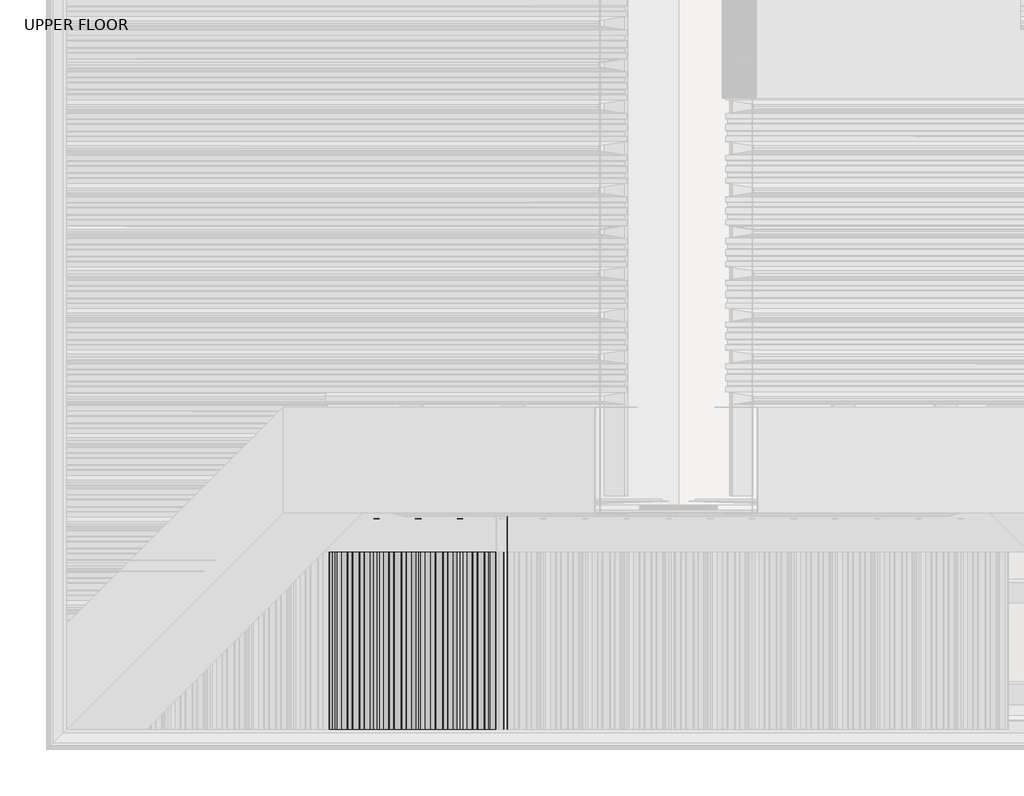
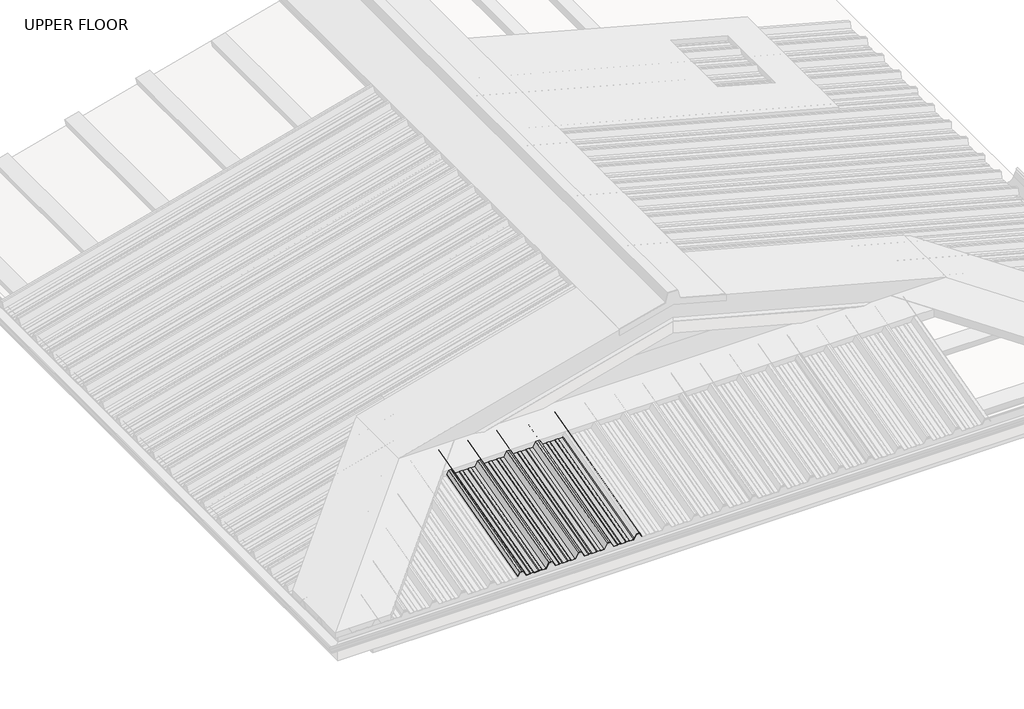
# One storey, part 5 of 21: 1 beam.
"""IFC4 building model written with IfcOpenShell, lengths in millimetres."""

from ifc_helpers import new_model, si_unit, frame, origin, place, context, project, spatial, circle_curve, ellipse_curve, element, save
from ifc_brep_helpers import plane_surface, cylinder_surface, advanced_brep

model = new_model("IFC4")

# Units and contexts
model_context = context("Model", 3, world=origin())
ifc_project = project(units=[si_unit("LENGTHUNIT", "METRE", prefix="MILLI")], contexts=[model_context])

# Site, building, storey
site = spatial("IfcSite", under=ifc_project)
building = spatial("IfcBuilding", under=site)
storey = spatial("IfcBuildingStorey", under=building, Name="UPPER FLOOR", Elevation=2700.0)

# Beam
placement = place(None, origin())
element("IfcBeam", 1, ObjectType="MC700", at=placement, inside=storey, context=model_context, shape_type="AdvancedBrep", body=[
    advanced_brep(
    [(977.7151918, -3756.7074872, 3502.2532241), (973.3348741, -3757.2355366, 3504.2239314), (956.9068828, -3757.2355366, 3504.2239314), (953.6918386, -3756.7074872, 3502.2532241), (930.9942011, -3756.7074872, 3502.2532241), (912.9196911, -3764.7308776, 3532.1969247), (902.4942026, -3764.7308776, 3532.1969247), (892.0687142, -3764.7308776, 3532.1969247), (873.9942042, -3756.7074872, 3502.2532241), (851.2965667, -3756.7074872, 3502.2532241), (848.0815225, -3757.2355366, 3504.2239314), (831.6535312, -3757.2355366, 3504.2239314), (827.2732135, -3756.7074872, 3502.2532241), (800.2151918, -3756.7074872, 3502.2532241), (795.8348741, -3757.2355366, 3504.2239314), (779.4068828, -3757.2355366, 3504.2239314), (776.1918386, -3756.7074872, 3502.2532241), (753.4942011, -3756.7074872, 3502.2532241), (735.4196911, -3764.7308776, 3532.1969247), (724.9942026, -3764.7308776, 3532.1969247), (714.5687142, -3764.7308776, 3532.1969247), (696.4942042, -3756.7074872, 3502.2532241), (673.7965667, -3756.7074872, 3502.2532241), (670.5815225, -3757.2355366, 3504.2239314), (654.1535312, -3757.2355366, 3504.2239314), (649.7732135, -3756.7074872, 3502.2532241), (622.7151918, -3756.7074872, 3502.2532241), (618.3348741, -3757.2355366, 3504.2239314), (601.9068828, -3757.2355366, 3504.2239314), (598.6918386, -3756.7074872, 3502.2532241), (575.9942011, -3756.7074872, 3502.2532241), (557.9196911, -3764.7308776, 3532.1969247), (547.4942026, -3764.7308776, 3532.1969247), (537.0687142, -3764.7308776, 3532.1969247), (524.7658996, -3759.2695796, 3511.8150832), (523.9020137, -3759.3999436, 3512.301608), (536.4942026, -3764.9896966, 3533.1628505), (547.4942026, -3764.9896966, 3533.1628505), (558.4942026, -3764.9896966, 3533.1628505), (576.5687126, -3756.9663062, 3503.2191499), (598.4013241, -3756.9663062, 3503.2191499), (601.6163683, -3757.4943557, 3505.1898572), (618.5563376, -3757.4943557, 3505.1898572), (622.9366553, -3756.9663062, 3503.2191499), (649.55175, -3756.9663062, 3503.2191499), (653.9320677, -3757.4943557, 3505.1898572), (670.872037, -3757.4943557, 3505.1898572), (674.0870812, -3756.9663062, 3503.2191499), (695.9196927, -3756.9663062, 3503.2191499), (713.9942026, -3764.9896966, 3533.1628505), (724.9942026, -3764.9896966, 3533.1628505), (735.9942026, -3764.9896966, 3533.1628505), (754.0687126, -3756.9663062, 3503.2191499), (775.9013241, -3756.9663062, 3503.2191499), (779.1163683, -3757.4943557, 3505.1898572), (796.0563376, -3757.4943557, 3505.1898572), (800.4366553, -3756.9663062, 3503.2191499), (827.05175, -3756.9663062, 3503.2191499), (831.4320677, -3757.4943557, 3505.1898572), (848.372037, -3757.4943557, 3505.1898572), (851.5870812, -3756.9663062, 3503.2191499), (873.4196927, -3756.9663062, 3503.2191499), (891.4942026, -3764.9896966, 3533.1628505), (902.4942026, -3764.9896966, 3533.1628505), (913.4942026, -3764.9896966, 3533.1628505), (931.5687126, -3756.9663062, 3503.2191499), (953.4013241, -3756.9663062, 3503.2191499), (956.6163683, -3757.4943557, 3505.1898572), (973.5563376, -3757.4943557, 3505.1898572), (977.9366553, -3756.9663062, 3503.2191499), (1004.55175, -3756.9663062, 3503.2191499), (1008.9320677, -3757.4943557, 3505.1898572), (1025.872037, -3757.4943557, 3505.1898572), (1029.0870812, -3756.9663062, 3503.2191499), (1050.9196927, -3756.9663062, 3503.2191499), (1068.9942026, -3764.9896966, 3533.1628505), (1079.9942026, -3764.9896966, 3533.1628505), (1090.9942026, -3764.9896966, 3533.1628505), (1109.0687126, -3756.9663062, 3503.2191499), (1130.9013241, -3756.9663062, 3503.2191499), (1134.1163683, -3757.4943557, 3505.1898572), (1151.0563376, -3757.4943557, 3505.1898572), (1155.4366553, -3756.9663062, 3503.2191499), (1182.05175, -3756.9663062, 3503.2191499), (1186.4320677, -3757.4943557, 3505.1898572), (1203.372037, -3757.4943557, 3505.1898572), (1206.5870812, -3756.9663062, 3503.2191499), (1230.7348132, -3756.9663062, 3503.2191499), (1247.6432258, -3764.4720586, 3531.2309989), (1267.3451795, -3764.4720586, 3531.2309989), (1281.7906953, -3758.0596019, 3507.2993847), (1280.9268094, -3757.9292379, 3506.8128599), (1266.7706679, -3764.2132395, 3530.265073), (1248.2177374, -3764.2132395, 3530.265073), (1231.3093248, -3756.7074872, 3502.2532241), (1206.2965667, -3756.7074872, 3502.2532241), (1203.0815225, -3757.2355366, 3504.2239314), (1186.6535312, -3757.2355366, 3504.2239314), (1182.2732135, -3756.7074872, 3502.2532241), (1155.2151918, -3756.7074872, 3502.2532241), (1150.8348741, -3757.2355366, 3504.2239314), (1134.4068828, -3757.2355366, 3504.2239314), (1131.1918386, -3756.7074872, 3502.2532241), (1108.4942011, -3756.7074872, 3502.2532241), (1090.4196911, -3764.7308776, 3532.1969247), (1079.9942026, -3764.7308776, 3532.1969247), (1069.5687142, -3764.7308776, 3532.1969247), (1051.4942042, -3756.7074872, 3502.2532241), (1028.7965667, -3756.7074872, 3502.2532241), (1025.5815225, -3757.2355366, 3504.2239314), (1009.1535312, -3757.2355366, 3504.2239314), (1004.7732135, -3756.7074872, 3502.2532241), (831.6535312, -4660.4975954, 3262.1955922), (827.2732135, -4660.4975954, 3260.0833945), (800.2151918, -4660.4975954, 3260.0833945), (795.8348741, -4660.4975954, 3262.1955922), (779.4068828, -4660.4975954, 3262.1955922), (776.1918386, -4660.4975954, 3260.0833945), (753.4942011, -4660.4975954, 3260.0833945), (735.4196911, -4660.4975954, 3292.176956), (724.9942026, -4660.4975954, 3292.176956), (714.5687142, -4660.4975954, 3292.176956), (696.4942042, -4660.4975954, 3260.0833945), (673.7965667, -4660.4975954, 3260.0833945), (670.5815225, -4660.4975954, 3262.1955922), (654.1535312, -4660.4975954, 3262.1955922), (649.7732135, -4660.4975954, 3260.0833945), (622.7151918, -4660.4975954, 3260.0833945), (618.3348741, -4660.4975954, 3262.1955922), (601.9068828, -4660.4975954, 3262.1955922), (598.6918386, -4660.4975954, 3260.0833945), (575.9942011, -4660.4975954, 3260.0833945), (557.9196911, -4660.4975954, 3292.176956), (547.4942026, -4660.4975954, 3292.176956), (537.0687142, -4660.4975954, 3292.176956), (524.7658996, -4660.4975954, 3270.3317642), (523.9020137, -4660.4975954, 3270.8532199), (536.4942026, -4660.4975954, 3293.2122322), (547.4942026, -4660.4975954, 3293.2122322), (558.4942026, -4660.4975954, 3293.2122322), (576.5687126, -4660.4975954, 3261.1186706), (598.4013241, -4660.4975954, 3261.1186706), (601.6163683, -4660.4975954, 3263.2308683), (618.5563376, -4660.4975954, 3263.2308683), (622.9366553, -4660.4975954, 3261.1186706), (649.55175, -4660.4975954, 3261.1186706), (653.9320677, -4660.4975954, 3263.2308683), (670.872037, -4660.4975954, 3263.2308683), (674.0870812, -4660.4975954, 3261.1186706), (695.9196927, -4660.4975954, 3261.1186706), (713.9942026, -4660.4975954, 3293.2122322), (724.9942026, -4660.4975954, 3293.2122322), (735.9942026, -4660.4975954, 3293.2122322), (754.0687126, -4660.4975954, 3261.1186706), (775.9013241, -4660.4975954, 3261.1186706), (779.1163683, -4660.4975954, 3263.2308683), (796.0563376, -4660.4975954, 3263.2308683), (800.4366553, -4660.4975954, 3261.1186706), (827.05175, -4660.4975954, 3261.1186706), (831.4320677, -4660.4975954, 3263.2308683), (848.372037, -4660.4975954, 3263.2308683), (851.5870812, -4660.4975954, 3261.1186706), (873.4196927, -4660.4975954, 3261.1186706), (891.4942026, -4660.4975954, 3293.2122322), (902.4942026, -4660.4975954, 3293.2122322), (913.4942026, -4660.4975954, 3293.2122322), (931.5687126, -4660.4975954, 3261.1186706), (953.4013241, -4660.4975954, 3261.1186706), (956.6163683, -4660.4975954, 3263.2308683), (973.5563376, -4660.4975954, 3263.2308683), (977.9366553, -4660.4975954, 3261.1186706), (1004.55175, -4660.4975954, 3261.1186706), (1008.9320677, -4660.4975954, 3263.2308683), (1025.872037, -4660.4975954, 3263.2308683), (1029.0870812, -4660.4975954, 3261.1186706), (1050.9196927, -4660.4975954, 3261.1186706), (1068.9942026, -4660.4975954, 3293.2122322), (1079.9942026, -4660.4975954, 3293.2122322), (1090.9942026, -4660.4975954, 3293.2122322), (1109.0687126, -4660.4975954, 3261.1186706), (1130.9013241, -4660.4975954, 3261.1186706), (1134.1163683, -4660.4975954, 3263.2308683), (1151.0563376, -4660.4975954, 3263.2308683), (1155.4366553, -4660.4975954, 3261.1186706), (1182.05175, -4660.4975954, 3261.1186706), (1186.4320677, -4660.4975954, 3263.2308683), (1203.372037, -4660.4975954, 3263.2308683), (1206.5870812, -4660.4975954, 3261.1186706), (1230.7348132, -4660.4975954, 3261.1186706), (1247.6432258, -4660.4975954, 3291.1416799), (1267.3451795, -4660.4975954, 3291.1416799), (1281.7906953, -4660.4975954, 3265.4918531), (1280.9268094, -4660.4975954, 3264.9703974), (1266.7706679, -4660.4975954, 3290.1064037), (1248.2177374, -4660.4975954, 3290.1064037), (1231.3093248, -4660.4975954, 3260.0833945), (1206.2965667, -4660.4975954, 3260.0833945), (1203.0815225, -4660.4975954, 3262.1955922), (1186.6535312, -4660.4975954, 3262.1955922), (1182.2732135, -4660.4975954, 3260.0833945), (1155.2151918, -4660.4975954, 3260.0833945), (1150.8348741, -4660.4975954, 3262.1955922), (1134.4068828, -4660.4975954, 3262.1955922), (1131.1918386, -4660.4975954, 3260.0833945), (1108.4942011, -4660.4975954, 3260.0833945), (1090.4196911, -4660.4975954, 3292.176956), (1079.9942026, -4660.4975954, 3292.176956), (1069.5687142, -4660.4975954, 3292.176956), (1051.4942042, -4660.4975954, 3260.0833945), (1028.7965667, -4660.4975954, 3260.0833945), (1025.5815225, -4660.4975954, 3262.1955922), (1009.1535312, -4660.4975954, 3262.1955922), (1004.7732135, -4660.4975954, 3260.0833945), (977.7151918, -4660.4975954, 3260.0833945), (973.3348741, -4660.4975954, 3262.1955922), (956.9068828, -4660.4975954, 3262.1955922), (953.6918386, -4660.4975954, 3260.0833945), (930.9942011, -4660.4975954, 3260.0833945), (912.9196911, -4660.4975954, 3292.176956), (902.4942026, -4660.4975954, 3292.176956), (892.0687142, -4660.4975954, 3292.176956), (873.9942042, -4660.4975954, 3260.0833945), (851.2965667, -4660.4975954, 3260.0833945), (848.0815225, -4660.4975954, 3262.1955922)],
    [
        (0, 1),
        (1, 2),
        (2, 3),
        (3, 4),
        (4, 5),
        (5, 6),
        (6, 7),
        (7, 8),
        (8, 9),
        (9, 10),
        (10, 11),
        (11, 12),
        (12, 13),
        (13, 14),
        (14, 15),
        (15, 16),
        (16, 17),
        (17, 18),
        (18, 19),
        (19, 20),
        (20, 21),
        (21, 22),
        (22, 23),
        (23, 24),
        (24, 25),
        (25, 26),
        (26, 27),
        (27, 28),
        (28, 29),
        (29, 30),
        (30, 31),
        (31, 32),
        (32, 33),
        (33, 34),
        (34, 35, circle_curve(frame((524.3339567, -3759.3347616, 3512.0583456), z_axis=(0.0, 0.9659258262890683, 0.2588190451025206), x_axis=(-1.0000000000000002, 0.0, 0.0)), 0.5)),
        (35, 36),
        (36, 37),
        (37, 38),
        (38, 39),
        (39, 40),
        (40, 41),
        (41, 42),
        (42, 43),
        (43, 44),
        (44, 45),
        (45, 46),
        (46, 47),
        (47, 48),
        (48, 49),
        (49, 50),
        (50, 51),
        (51, 52),
        (52, 53),
        (53, 54),
        (54, 55),
        (55, 56),
        (56, 57),
        (57, 58),
        (58, 59),
        (59, 60),
        (60, 61),
        (61, 62),
        (62, 63),
        (63, 64),
        (64, 65),
        (65, 66),
        (66, 67),
        (67, 68),
        (68, 69),
        (69, 70),
        (70, 71),
        (71, 72),
        (72, 73),
        (73, 74),
        (74, 75),
        (75, 76),
        (76, 77),
        (77, 78),
        (78, 79),
        (79, 80),
        (80, 81),
        (81, 82),
        (82, 83),
        (83, 84),
        (84, 85),
        (85, 86),
        (86, 87),
        (87, 88),
        (88, 89),
        (89, 90),
        (90, 91, circle_curve(frame((1281.3587523, -3757.9944199, 3507.0561223), z_axis=(0.0, 0.9659258262890683, 0.2588190451025206), x_axis=(-1.0000000000000002, 0.0, 0.0)), 0.5)),
        (91, 92),
        (92, 93),
        (93, 94),
        (94, 95),
        (95, 96),
        (96, 97),
        (97, 98),
        (98, 99),
        (99, 100),
        (100, 101),
        (101, 102),
        (102, 103),
        (103, 104),
        (104, 105),
        (105, 106),
        (106, 107),
        (107, 108),
        (108, 109),
        (109, 110),
        (110, 111),
        (111, 0),
        (11, 112),
        (112, 113),
        (113, 12),
        (113, 114),
        (114, 13),
        (114, 115),
        (115, 14),
        (115, 116),
        (116, 15),
        (116, 117),
        (117, 16),
        (117, 118),
        (118, 17),
        (118, 119),
        (119, 18),
        (119, 120),
        (120, 19),
        (120, 121),
        (121, 20),
        (121, 122),
        (122, 21),
        (122, 123),
        (123, 22),
        (123, 124),
        (124, 23),
        (124, 125),
        (125, 24),
        (125, 126),
        (126, 25),
        (126, 127),
        (127, 26),
        (127, 128),
        (128, 27),
        (128, 129),
        (129, 28),
        (129, 130),
        (130, 29),
        (130, 131),
        (131, 30),
        (131, 132),
        (132, 31),
        (132, 133),
        (133, 32),
        (133, 134),
        (134, 33),
        (134, 135),
        (135, 34),
        (135, 136, ellipse_curve(frame((524.3339567, -4660.4975954, 3270.5924921), z_axis=(0.0, 1.0, 0.0), x_axis=(0.0, 0.0, 1.0)), 0.5176381, 0.5)),
        (136, 35),
        (136, 137),
        (137, 36),
        (137, 138),
        (138, 37),
        (138, 139),
        (139, 38),
        (139, 140),
        (140, 39),
        (140, 141),
        (141, 40),
        (141, 142),
        (142, 41),
        (142, 143),
        (143, 42),
        (143, 144),
        (144, 43),
        (144, 145),
        (145, 44),
        (145, 146),
        (146, 45),
        (146, 147),
        (147, 46),
        (147, 148),
        (148, 47),
        (148, 149),
        (149, 48),
        (149, 150),
        (150, 49),
        (150, 151),
        (151, 50),
        (151, 152),
        (152, 51),
        (152, 153),
        (153, 52),
        (153, 154),
        (154, 53),
        (154, 155),
        (155, 54),
        (155, 156),
        (156, 55),
        (156, 157),
        (157, 56),
        (157, 158),
        (158, 57),
        (158, 159),
        (159, 58),
        (159, 160),
        (160, 59),
        (160, 161),
        (161, 60),
        (161, 162),
        (162, 61),
        (162, 163),
        (163, 62),
        (163, 164),
        (164, 63),
        (164, 165),
        (165, 64),
        (165, 166),
        (166, 65),
        (166, 167),
        (167, 66),
        (167, 168),
        (168, 67),
        (168, 169),
        (169, 68),
        (169, 170),
        (170, 69),
        (170, 171),
        (171, 70),
        (171, 172),
        (172, 71),
        (172, 173),
        (173, 72),
        (173, 174),
        (174, 73),
        (174, 175),
        (175, 74),
        (175, 176),
        (176, 75),
        (176, 177),
        (177, 76),
        (177, 178),
        (178, 77),
        (178, 179),
        (179, 78),
        (179, 180),
        (180, 79),
        (180, 181),
        (181, 80),
        (181, 182),
        (182, 81),
        (182, 183),
        (183, 82),
        (183, 184),
        (184, 83),
        (184, 185),
        (185, 84),
        (185, 186),
        (186, 85),
        (186, 187),
        (187, 86),
        (187, 188),
        (188, 87),
        (188, 189),
        (189, 88),
        (189, 190),
        (190, 89),
        (190, 191),
        (191, 90),
        (191, 192, ellipse_curve(frame((1281.3587523, -4660.4975954, 3265.2311252), z_axis=(0.0, 1.0, 0.0), x_axis=(0.0, 0.0, 1.0)), 0.5176381, 0.5)),
        (192, 91),
        (192, 193),
        (193, 92),
        (193, 194),
        (194, 93),
        (194, 195),
        (195, 94),
        (195, 196),
        (196, 95),
        (196, 197),
        (197, 96),
        (197, 198),
        (198, 97),
        (198, 199),
        (199, 98),
        (199, 200),
        (200, 99),
        (200, 201),
        (201, 100),
        (201, 202),
        (202, 101),
        (202, 203),
        (203, 102),
        (203, 204),
        (204, 103),
        (204, 205),
        (205, 104),
        (205, 206),
        (206, 105),
        (206, 207),
        (207, 106),
        (207, 208),
        (208, 107),
        (208, 209),
        (209, 108),
        (209, 210),
        (210, 109),
        (210, 211),
        (211, 110),
        (211, 212),
        (212, 111),
        (212, 213),
        (213, 0),
        (213, 214),
        (214, 1),
        (214, 215),
        (215, 2),
        (215, 216),
        (216, 3),
        (216, 217),
        (217, 4),
        (217, 218),
        (218, 5),
        (218, 219),
        (219, 6),
        (219, 220),
        (220, 7),
        (220, 221),
        (221, 8),
        (221, 222),
        (222, 9),
        (222, 223),
        (223, 10),
        (223, 112),
    ],
    [
        plane_surface(frame((977.7151918, -3756.7074872, 3502.2532241), z_axis=(0.0, 0.9659258262890685, 0.25881904510252035), x_axis=(-0.9064939238095152, -0.10927828227881019, 0.40783210162838035))),
        plane_surface(frame((831.6535312, -3757.2355366, 3504.2239314), z_axis=(0.42221886042244317, 0.23461789175161535, -0.8756058923817271), x_axis=(0.0, -0.9659258262890683, -0.2588190451025206))),
        plane_surface(frame((827.2732135, -3756.7074872, 3502.2532241), z_axis=(0.0, 0.2588190451025206, -0.9659258262890683), x_axis=(0.0, -0.9659258262890683, -0.2588190451025206))),
        plane_surface(frame((800.2151918, -3756.7074872, 3502.2532241), z_axis=(-0.42221886042244317, 0.23461789175161676, -0.8756058923817267), x_axis=(0.0, -0.9659258262890683, -0.2588190451025206))),
        plane_surface(frame((795.8348741, -3757.2355366, 3504.2239314), z_axis=(0.0, 0.2588190451025206, -0.9659258262890683), x_axis=(0.0, -0.9659258262890683, -0.2588190451025206))),
        plane_surface(frame((779.4068828, -3757.2355366, 3504.2239314), z_axis=(0.5358075541289593, 0.21853130769187554, -0.8155699433505511), x_axis=(0.0, -0.9659258262890683, -0.2588190451025206))),
        plane_surface(frame((776.1918386, -3756.7074872, 3502.2532241), z_axis=(0.0, 0.2588190451025206, -0.9659258262890683), x_axis=(0.0, -0.9659258262890683, -0.2588190451025206))),
        plane_surface(frame((753.4942011, -3756.7074872, 3502.2532241), z_axis=(-0.8638858976217886, 0.1303639327417882, -0.4865248204668401), x_axis=(0.0, -0.9659258262890683, -0.2588190451025206))),
        plane_surface(frame((735.4196911, -3764.7308776, 3532.1969247), z_axis=(0.0, 0.2588190451025206, -0.9659258262890683), x_axis=(0.0, -0.9659258262890683, -0.2588190451025206))),
        plane_surface(frame((724.9942026, -3764.7308776, 3532.1969247), z_axis=(0.0, 0.2588190451025206, -0.9659258262890683), x_axis=(0.0, -0.9659258262890683, -0.2588190451025206))),
        plane_surface(frame((714.5687142, -3764.7308776, 3532.1969247), z_axis=(0.8638858976217945, 0.13036393274178276, -0.4865248204668313), x_axis=(0.0, -0.9659258262890683, -0.2588190451025206))),
        plane_surface(frame((696.4942042, -3756.7074872, 3502.2532241), z_axis=(0.0, 0.2588190451025206, -0.9659258262890683), x_axis=(0.0, -0.9659258262890683, -0.2588190451025206))),
        plane_surface(frame((673.7965667, -3756.7074872, 3502.2532241), z_axis=(-0.53580755412894, 0.21853130769188048, -0.8155699433505624), x_axis=(0.0, -0.9659258262890683, -0.2588190451025206))),
        plane_surface(frame((670.5815225, -3757.2355366, 3504.2239314), z_axis=(0.0, 0.2588190451025206, -0.9659258262890683), x_axis=(0.0, -0.9659258262890683, -0.2588190451025206))),
        plane_surface(frame((654.1535312, -3757.2355366, 3504.2239314), z_axis=(0.42221886042244033, 0.23461789175161574, -0.8756058923817285), x_axis=(0.0, -0.9659258262890683, -0.2588190451025206))),
        plane_surface(frame((649.7732135, -3756.7074872, 3502.2532241), z_axis=(0.0, 0.2588190451025206, -0.9659258262890683), x_axis=(0.0, -0.9659258262890683, -0.2588190451025206))),
        plane_surface(frame((622.7151918, -3756.7074872, 3502.2532241), z_axis=(-0.42221886042244317, 0.23461789175161682, -0.8756058923817267), x_axis=(0.0, -0.9659258262890683, -0.2588190451025206))),
        plane_surface(frame((618.3348741, -3757.2355366, 3504.2239314), z_axis=(0.0, 0.2588190451025206, -0.9659258262890683), x_axis=(0.0, -0.9659258262890683, -0.2588190451025206))),
        plane_surface(frame((601.9068828, -3757.2355366, 3504.2239314), z_axis=(0.5358075541289592, 0.21853130769187545, -0.8155699433505511), x_axis=(0.0, -0.9659258262890683, -0.2588190451025206))),
        plane_surface(frame((598.6918386, -3756.7074872, 3502.2532241), z_axis=(0.0, 0.2588190451025206, -0.9659258262890683), x_axis=(0.0, -0.9659258262890683, -0.2588190451025206))),
        plane_surface(frame((575.9942011, -3756.7074872, 3502.2532241), z_axis=(-0.8638858976217886, 0.1303639327417882, -0.4865248204668401), x_axis=(0.0, -0.9659258262890683, -0.2588190451025206))),
        plane_surface(frame((557.9196911, -3764.7308776, 3532.1969247), z_axis=(0.0, 0.2588190451025206, -0.9659258262890683), x_axis=(0.0, -0.9659258262890683, -0.2588190451025206))),
        plane_surface(frame((547.4942026, -3764.7308776, 3532.1969247), z_axis=(0.0, 0.2588190451025205, -0.9659258262890683), x_axis=(0.0, -0.9659258262890683, -0.2588190451025205))),
        plane_surface(frame((537.0687142, -3764.7308776, 3532.1969247), z_axis=(0.863885897621789, 0.13036393274178507, -0.48652482046684037), x_axis=(0.0, -0.9659258262890683, -0.2588190451025206))),
        cylinder_surface(frame((524.3339567, -4672.135119, 3267.474227), z_axis=(0.0, 0.9659258262890683, 0.2588190451025206), x_axis=(-1.0000000000000002, 0.0, 0.0)), 0.5),
        plane_surface(frame((523.9020137, -3759.3999436, 3512.301608), z_axis=(-0.8638858976218092, -0.1303639327417763, 0.48652482046680706), x_axis=(0.0, -0.9659258262890683, -0.25881904510252063))),
        plane_surface(frame((536.4942026, -3764.9896966, 3533.1628505), z_axis=(0.0, -0.2588190451025205, 0.9659258262890683), x_axis=(0.0, -0.9659258262890683, -0.2588190451025205))),
        plane_surface(frame((547.4942026, -3764.9896966, 3533.1628505), z_axis=(0.0, -0.2588190451025206, 0.9659258262890683), x_axis=(0.0, -0.9659258262890683, -0.2588190451025206))),
        plane_surface(frame((558.4942026, -3764.9896966, 3533.1628505), z_axis=(0.8638858976217886, -0.13036393274178834, 0.48652482046684004), x_axis=(0.0, -0.9659258262890683, -0.25881904510252063))),
        plane_surface(frame((576.5687126, -3756.9663062, 3503.2191499), z_axis=(0.0, -0.2588190451025206, 0.9659258262890683), x_axis=(0.0, -0.9659258262890683, -0.2588190451025206))),
        plane_surface(frame((598.4013241, -3756.9663062, 3503.2191499), z_axis=(-0.5358075541289432, -0.21853130769187817, 0.8155699433505609), x_axis=(0.0, -0.9659258262890683, -0.2588190451025206))),
        plane_surface(frame((601.6163683, -3757.4943557, 3505.1898572), z_axis=(0.0, -0.2588190451025206, 0.9659258262890683), x_axis=(0.0, -0.9659258262890683, -0.2588190451025206))),
        plane_surface(frame((618.5563376, -3757.4943557, 3505.1898572), z_axis=(0.42221886042244605, -0.2346178917516165, 0.8756058923817254), x_axis=(0.0, -0.9659258262890683, -0.25881904510252063))),
        plane_surface(frame((622.9366553, -3756.9663062, 3503.2191499), z_axis=(0.0, -0.2588190451025206, 0.9659258262890683), x_axis=(0.0, -0.9659258262890683, -0.2588190451025206))),
        plane_surface(frame((649.55175, -3756.9663062, 3503.2191499), z_axis=(-0.4222188604224378, -0.23461789175161601, 0.8756058923817296), x_axis=(0.0, -0.9659258262890683, -0.2588190451025206))),
        plane_surface(frame((653.9320677, -3757.4943557, 3505.1898572), z_axis=(0.0, -0.2588190451025206, 0.9659258262890683), x_axis=(0.0, -0.9659258262890683, -0.2588190451025206))),
        plane_surface(frame((670.872037, -3757.4943557, 3505.1898572), z_axis=(0.5358075541289593, -0.21853130769187734, 0.8155699433505507), x_axis=(0.0, -0.9659258262890683, -0.2588190451025206))),
        plane_surface(frame((674.0870812, -3756.9663062, 3503.2191499), z_axis=(0.0, -0.2588190451025206, 0.9659258262890683), x_axis=(0.0, -0.9659258262890683, -0.2588190451025206))),
        plane_surface(frame((695.9196927, -3756.9663062, 3503.2191499), z_axis=(-0.8638858976217945, -0.13036393274178268, 0.4865248204668312), x_axis=(0.0, -0.9659258262890683, -0.2588190451025206))),
        plane_surface(frame((713.9942026, -3764.9896966, 3533.1628505), z_axis=(0.0, -0.2588190451025206, 0.9659258262890683), x_axis=(0.0, -0.9659258262890683, -0.2588190451025206))),
        plane_surface(frame((724.9942026, -3764.9896966, 3533.1628505), z_axis=(0.0, -0.2588190451025206, 0.9659258262890683), x_axis=(0.0, -0.9659258262890683, -0.2588190451025206))),
        plane_surface(frame((735.9942026, -3764.9896966, 3533.1628505), z_axis=(0.8638858976217904, -0.1303639327417875, 0.4865248204668373), x_axis=(0.0, -0.9659258262890683, -0.2588190451025206))),
        plane_surface(frame((754.0687126, -3756.9663062, 3503.2191499), z_axis=(0.0, -0.2588190451025206, 0.9659258262890683), x_axis=(0.0, -0.9659258262890683, -0.2588190451025206))),
        plane_surface(frame((775.9013241, -3756.9663062, 3503.2191499), z_axis=(-0.5358075541289592, -0.2185313076918755, 0.8155699433505511), x_axis=(0.0, -0.9659258262890683, -0.2588190451025206))),
        plane_surface(frame((779.1163683, -3757.4943557, 3505.1898572), z_axis=(0.0, -0.2588190451025206, 0.9659258262890683), x_axis=(0.0, -0.9659258262890683, -0.2588190451025206))),
        plane_surface(frame((796.0563376, -3757.4943557, 3505.1898572), z_axis=(0.42221886042245393, -0.2346178917516155, 0.8756058923817218), x_axis=(0.0, -0.9659258262890683, -0.2588190451025206))),
        plane_surface(frame((800.4366553, -3756.9663062, 3503.2191499), z_axis=(0.0, -0.2588190451025206, 0.9659258262890683), x_axis=(0.0, -0.9659258262890683, -0.2588190451025206))),
        plane_surface(frame((827.05175, -3756.9663062, 3503.2191499), z_axis=(-0.4222188604224407, -0.23461789175161568, 0.8756058923817283), x_axis=(0.0, -0.9659258262890683, -0.2588190451025206))),
        plane_surface(frame((831.4320677, -3757.4943557, 3505.1898572), z_axis=(0.0, -0.2588190451025206, 0.9659258262890683), x_axis=(0.0, -0.9659258262890683, -0.2588190451025206))),
        plane_surface(frame((848.372037, -3757.4943557, 3505.1898572), z_axis=(0.5358075541289656, -0.21853130769187631, 0.8155699433505468), x_axis=(0.0, -0.9659258262890683, -0.2588190451025206))),
        plane_surface(frame((851.5870812, -3756.9663062, 3503.2191499), z_axis=(0.0, -0.2588190451025206, 0.9659258262890683), x_axis=(0.0, -0.9659258262890683, -0.2588190451025206))),
        plane_surface(frame((873.4196927, -3756.9663062, 3503.2191499), z_axis=(-0.8638858976217904, -0.13036393274178446, 0.48652482046683787), x_axis=(0.0, -0.9659258262890683, -0.2588190451025206))),
        plane_surface(frame((891.4942026, -3764.9896966, 3533.1628505), z_axis=(0.0, -0.2588190451025206, 0.9659258262890683), x_axis=(0.0, -0.9659258262890683, -0.2588190451025206))),
        plane_surface(frame((902.4942026, -3764.9896966, 3533.1628505), z_axis=(0.0, -0.2588190451025206, 0.9659258262890683), x_axis=(0.0, -0.9659258262890683, -0.2588190451025206))),
        plane_surface(frame((913.4942026, -3764.9896966, 3533.1628505), z_axis=(0.8638858976217879, -0.13036393274178862, 0.48652482046684137), x_axis=(0.0, -0.9659258262890683, -0.2588190451025206))),
        plane_surface(frame((931.5687126, -3756.9663062, 3503.2191499), z_axis=(0.0, -0.2588190451025206, 0.9659258262890683), x_axis=(0.0, -0.9659258262890683, -0.2588190451025206))),
        plane_surface(frame((953.4013241, -3756.9663062, 3503.2191499), z_axis=(-0.5358075541289553, -0.21853130769187623, 0.8155699433505538), x_axis=(0.0, -0.9659258262890683, -0.2588190451025206))),
        plane_surface(frame((956.6163683, -3757.4943557, 3505.1898572), z_axis=(0.0, -0.2588190451025206, 0.9659258262890683), x_axis=(0.0, -0.9659258262890683, -0.2588190451025206))),
        plane_surface(frame((973.5563376, -3757.4943557, 3505.1898572), z_axis=(0.42221886042244594, -0.2346178917516165, 0.8756058923817255), x_axis=(0.0, -0.9659258262890683, -0.2588190451025206))),
        plane_surface(frame((977.9366553, -3756.9663062, 3503.2191499), z_axis=(0.0, -0.2588190451025206, 0.9659258262890683), x_axis=(0.0, -0.9659258262890683, -0.2588190451025206))),
        plane_surface(frame((1004.55175, -3756.9663062, 3503.2191499), z_axis=(-0.42221886042244855, -0.23461789175161474, 0.8756058923817247), x_axis=(0.0, -0.9659258262890683, -0.2588190451025206))),
        plane_surface(frame((1008.9320677, -3757.4943557, 3505.1898572), z_axis=(0.0, -0.2588190451025206, 0.9659258262890683), x_axis=(0.0, -0.9659258262890683, -0.2588190451025206))),
        plane_surface(frame((1025.872037, -3757.4943557, 3505.1898572), z_axis=(0.5358075541289593, -0.21853130769187734, 0.8155699433505507), x_axis=(0.0, -0.9659258262890683, -0.2588190451025206))),
        plane_surface(frame((1029.0870812, -3756.9663062, 3503.2191499), z_axis=(0.0, -0.2588190451025206, 0.9659258262890683), x_axis=(0.0, -0.9659258262890683, -0.2588190451025206))),
        plane_surface(frame((1050.9196927, -3756.9663062, 3503.2191499), z_axis=(-0.8638858976217911, -0.13036393274178418, 0.48652482046683676), x_axis=(0.0, -0.9659258262890683, -0.2588190451025206))),
        plane_surface(frame((1068.9942026, -3764.9896966, 3533.1628505), z_axis=(0.0, -0.2588190451025206, 0.9659258262890683), x_axis=(0.0, -0.9659258262890683, -0.2588190451025206))),
        plane_surface(frame((1079.9942026, -3764.9896966, 3533.1628505), z_axis=(0.0, -0.2588190451025206, 0.9659258262890683), x_axis=(0.0, -0.9659258262890683, -0.2588190451025206))),
        plane_surface(frame((1090.9942026, -3764.9896966, 3533.1628505), z_axis=(0.8638858976217862, -0.13036393274178934, 0.48652482046684403), x_axis=(0.0, -0.9659258262890683, -0.2588190451025206))),
        plane_surface(frame((1109.0687126, -3756.9663062, 3503.2191499), z_axis=(0.0, -0.2588190451025206, 0.9659258262890683), x_axis=(0.0, -0.9659258262890683, -0.2588190451025206))),
        plane_surface(frame((1130.9013241, -3756.9663062, 3503.2191499), z_axis=(-0.5358075541289553, -0.21853130769187623, 0.8155699433505538), x_axis=(0.0, -0.9659258262890683, -0.2588190451025206))),
        plane_surface(frame((1134.1163683, -3757.4943557, 3505.1898572), z_axis=(0.0, -0.2588190451025206, 0.9659258262890683), x_axis=(0.0, -0.9659258262890683, -0.2588190451025206))),
        plane_surface(frame((1151.0563376, -3757.4943557, 3505.1898572), z_axis=(0.42221886042244855, -0.23461789175161618, 0.8756058923817243), x_axis=(0.0, -0.9659258262890683, -0.2588190451025206))),
        plane_surface(frame((1155.4366553, -3756.9663062, 3503.2191499), z_axis=(0.0, -0.2588190451025206, 0.9659258262890683), x_axis=(0.0, -0.9659258262890683, -0.2588190451025206))),
        plane_surface(frame((1182.05175, -3756.9663062, 3503.2191499), z_axis=(-0.42221886042244583, -0.23461789175161504, 0.8756058923817259), x_axis=(0.0, -0.9659258262890683, -0.2588190451025206))),
        plane_surface(frame((1186.4320677, -3757.4943557, 3505.1898572), z_axis=(0.0, -0.2588190451025206, 0.9659258262890683), x_axis=(0.0, -0.9659258262890683, -0.2588190451025206))),
        plane_surface(frame((1203.372037, -3757.4943557, 3505.1898572), z_axis=(0.5358075541289553, -0.218531307691878, 0.8155699433505531), x_axis=(0.0, -0.9659258262890683, -0.2588190451025206))),
        plane_surface(frame((1206.5870812, -3756.9663062, 3503.2191499), z_axis=(0.0, -0.2588190451025206, 0.9659258262890683), x_axis=(0.0, -0.9659258262890683, -0.2588190451025206))),
        plane_surface(frame((1230.7348132, -3756.9663062, 3503.2191499), z_axis=(-0.8638858976217909, -0.1303639327417843, 0.4865248204668372), x_axis=(0.0, -0.9659258262890683, -0.2588190451025206))),
        plane_surface(frame((1247.6432258, -3764.4720586, 3531.2309989), z_axis=(0.0, -0.2588190451025206, 0.9659258262890683), x_axis=(0.0, -0.9659258262890683, -0.2588190451025206))),
        plane_surface(frame((1267.3451795, -3764.4720586, 3531.2309989), z_axis=(0.8638858976217945, -0.13036393274178576, 0.48652482046683077), x_axis=(0.0, -0.9659258262890683, -0.2588190451025206))),
        cylinder_surface(frame((1281.3587523, -4670.7947773, 3262.4720037), z_axis=(0.0, 0.9659258262890683, 0.2588190451025206), x_axis=(-1.0000000000000002, 0.0, 0.0)), 0.5),
        plane_surface(frame((1280.9268094, -3757.9292379, 3506.8128599), z_axis=(-0.8638858976217776, 0.13036393274179317, -0.4865248204668584), x_axis=(0.0, -0.9659258262890683, -0.2588190451025206))),
        plane_surface(frame((1266.7706679, -3764.2132395, 3530.265073), z_axis=(0.0, 0.2588190451025206, -0.9659258262890683), x_axis=(0.0, -0.9659258262890683, -0.2588190451025206))),
        plane_surface(frame((1248.2177374, -3764.2132395, 3530.265073), z_axis=(0.8638858976217909, 0.1303639327417843, -0.4865248204668372), x_axis=(0.0, -0.9659258262890683, -0.2588190451025206))),
        plane_surface(frame((1231.3093248, -3756.7074872, 3502.2532241), z_axis=(0.0, 0.2588190451025206, -0.9659258262890683), x_axis=(0.0, -0.9659258262890683, -0.2588190451025206))),
        plane_surface(frame((1206.2965667, -3756.7074872, 3502.2532241), z_axis=(-0.5358075541289553, 0.218531307691878, -0.8155699433505531), x_axis=(0.0, -0.9659258262890683, -0.2588190451025206))),
        plane_surface(frame((1203.0815225, -3757.2355366, 3504.2239314), z_axis=(0.0, 0.2588190451025206, -0.9659258262890683), x_axis=(0.0, -0.9659258262890683, -0.2588190451025206))),
        plane_surface(frame((1186.6535312, -3757.2355366, 3504.2239314), z_axis=(0.42221886042244583, 0.23461789175161504, -0.8756058923817259), x_axis=(0.0, -0.9659258262890683, -0.2588190451025206))),
        plane_surface(frame((1182.2732135, -3756.7074872, 3502.2532241), z_axis=(0.0, 0.2588190451025206, -0.9659258262890683), x_axis=(0.0, -0.9659258262890683, -0.2588190451025206))),
        plane_surface(frame((1155.2151918, -3756.7074872, 3502.2532241), z_axis=(-0.42221886042244594, 0.2346178917516165, -0.8756058923817255), x_axis=(0.0, -0.9659258262890683, -0.2588190451025206))),
        plane_surface(frame((1150.8348741, -3757.2355366, 3504.2239314), z_axis=(0.0, 0.2588190451025206, -0.9659258262890683), x_axis=(0.0, -0.9659258262890683, -0.2588190451025206))),
        plane_surface(frame((1134.4068828, -3757.2355366, 3504.2239314), z_axis=(0.5358075541289592, 0.2185313076918755, -0.8155699433505511), x_axis=(0.0, -0.9659258262890683, -0.2588190451025206))),
        plane_surface(frame((1131.1918386, -3756.7074872, 3502.2532241), z_axis=(0.0, 0.2588190451025206, -0.9659258262890683), x_axis=(0.0, -0.9659258262890683, -0.2588190451025206))),
        plane_surface(frame((1108.4942011, -3756.7074872, 3502.2532241), z_axis=(-0.8638858976217904, 0.1303639327417875, -0.4865248204668373), x_axis=(0.0, -0.9659258262890683, -0.2588190451025206))),
        plane_surface(frame((1090.4196911, -3764.7308776, 3532.1969247), z_axis=(0.0, 0.2588190451025206, -0.9659258262890683), x_axis=(0.0, -0.9659258262890683, -0.2588190451025206))),
        plane_surface(frame((1079.9942026, -3764.7308776, 3532.1969247), z_axis=(0.0, 0.2588190451025206, -0.9659258262890683), x_axis=(0.0, -0.9659258262890683, -0.2588190451025206))),
        plane_surface(frame((1069.5687142, -3764.7308776, 3532.1969247), z_axis=(0.8638858976217945, 0.1303639327417827, -0.4865248204668313), x_axis=(0.0, -0.9659258262890683, -0.2588190451025206))),
        plane_surface(frame((1051.4942042, -3756.7074872, 3502.2532241), z_axis=(0.0, 0.2588190451025206, -0.9659258262890683), x_axis=(0.0, -0.9659258262890683, -0.2588190451025206))),
        plane_surface(frame((1028.7965667, -3756.7074872, 3502.2532241), z_axis=(-0.5358075541289513, 0.21853130769187867, -0.8155699433505555), x_axis=(0.0, -0.9659258262890683, -0.2588190451025206))),
        plane_surface(frame((1025.5815225, -3757.2355366, 3504.2239314), z_axis=(0.0, 0.2588190451025206, -0.9659258262890683), x_axis=(0.0, -0.9659258262890683, -0.2588190451025206))),
        plane_surface(frame((1009.1535312, -3757.2355366, 3504.2239314), z_axis=(0.42221886042244317, 0.23461789175161535, -0.8756058923817271), x_axis=(0.0, -0.9659258262890683, -0.2588190451025206))),
        plane_surface(frame((1004.7732135, -3756.7074872, 3502.2532241), z_axis=(0.0, 0.2588190451025206, -0.9659258262890683), x_axis=(0.0, -0.9659258262890683, -0.2588190451025206))),
        plane_surface(frame((977.7151918, -3756.7074872, 3502.2532241), z_axis=(-0.42221886042244594, 0.2346178917516165, -0.8756058923817255), x_axis=(0.0, -0.9659258262890683, -0.2588190451025206))),
        plane_surface(frame((973.3348741, -3757.2355366, 3504.2239314), z_axis=(0.0, 0.2588190451025206, -0.9659258262890683), x_axis=(0.0, -0.9659258262890683, -0.2588190451025206))),
        plane_surface(frame((956.9068828, -3757.2355366, 3504.2239314), z_axis=(0.5358075541289592, 0.2185313076918755, -0.8155699433505511), x_axis=(0.0, -0.9659258262890683, -0.2588190451025206))),
        plane_surface(frame((953.6918386, -3756.7074872, 3502.2532241), z_axis=(0.0, 0.2588190451025206, -0.9659258262890683), x_axis=(0.0, -0.9659258262890683, -0.2588190451025206))),
        plane_surface(frame((930.9942011, -3756.7074872, 3502.2532241), z_axis=(-0.8638858976217886, 0.13036393274178826, -0.4865248204668401), x_axis=(0.0, -0.9659258262890683, -0.2588190451025206))),
        plane_surface(frame((912.9196911, -3764.7308776, 3532.1969247), z_axis=(0.0, 0.2588190451025206, -0.9659258262890683), x_axis=(0.0, -0.9659258262890683, -0.2588190451025206))),
        plane_surface(frame((902.4942026, -3764.7308776, 3532.1969247), z_axis=(0.0, 0.2588190451025206, -0.9659258262890683), x_axis=(0.0, -0.9659258262890683, -0.2588190451025206))),
        plane_surface(frame((892.0687142, -3764.7308776, 3532.1969247), z_axis=(0.8638858976217945, 0.13036393274178268, -0.4865248204668312), x_axis=(0.0, -0.9659258262890683, -0.2588190451025206))),
        plane_surface(frame((873.9942042, -3756.7074872, 3502.2532241), z_axis=(0.0, 0.2588190451025206, -0.9659258262890683), x_axis=(0.0, -0.9659258262890683, -0.2588190451025206))),
        plane_surface(frame((851.2965667, -3756.7074872, 3502.2532241), z_axis=(-0.5358075541289464, 0.21853130769187948, -0.8155699433505585), x_axis=(0.0, -0.9659258262890683, -0.2588190451025206))),
        plane_surface(frame((848.0815225, -3757.2355366, 3504.2239314), z_axis=(0.0, 0.2588190451025206, -0.9659258262890683), x_axis=(0.0, -0.9659258262890683, -0.2588190451025206))),
        plane_surface(frame((-1839.2547497, -4660.4975954, 4094.1480288), z_axis=(0.0, -1.0, 0.0), x_axis=(0.0, 0.0, -1.0))),
    ],
    [
        (0, [[1, 2, 3, 4, 5, 6, 7, 8, 9, 10, 11, 12, 13, 14, 15, 16, 17, 18, 19, 20, 21, 22, 23, 24, 25, 26, 27, 28, 29, 30, 31, 32, 33, 34, 35, 36, 37, 38, 39, 40, 41, 42, 43, 44, 45, 46, 47, 48, 49, 50, 51, 52, 53, 54, 55, 56, 57, 58, 59, 60, 61, 62, 63, 64, 65, 66, 67, 68, 69, 70, 71, 72, 73, 74, 75, 76, 77, 78, 79, 80, 81, 82, 83, 84, 85, 86, 87, 88, 89, 90, 91, 92, 93, 94, 95, 96, 97, 98, 99, 100, 101, 102, 103, 104, 105, 106, 107, 108, 109, 110, 111, 112]]),
        (1, [[-12, 113, 114, 115]]),
        (2, [[-13, -115, 116, 117]]),
        (3, [[-14, -117, 118, 119]]),
        (4, [[-15, -119, 120, 121]]),
        (5, [[-16, -121, 122, 123]]),
        (6, [[-17, -123, 124, 125]]),
        (7, [[-18, -125, 126, 127]]),
        (8, [[-19, -127, 128, 129]]),
        (9, [[-20, -129, 130, 131]]),
        (10, [[-21, -131, 132, 133]]),
        (11, [[-22, -133, 134, 135]]),
        (12, [[-23, -135, 136, 137]]),
        (13, [[-24, -137, 138, 139]]),
        (14, [[-25, -139, 140, 141]]),
        (15, [[-26, -141, 142, 143]]),
        (16, [[-27, -143, 144, 145]]),
        (17, [[-28, -145, 146, 147]]),
        (18, [[-29, -147, 148, 149]]),
        (19, [[-30, -149, 150, 151]]),
        (20, [[-31, -151, 152, 153]]),
        (21, [[-32, -153, 154, 155]]),
        (22, [[-33, -155, 156, 157]]),
        (23, [[-34, -157, 158, 159]]),
        (24, [[-35, -159, 160, 161]]),
        (25, [[-36, -161, 162, 163]]),
        (26, [[-37, -163, 164, 165]]),
        (27, [[-38, -165, 166, 167]]),
        (28, [[-39, -167, 168, 169]]),
        (29, [[-40, -169, 170, 171]]),
        (30, [[-41, -171, 172, 173]]),
        (31, [[-42, -173, 174, 175]]),
        (32, [[-43, -175, 176, 177]]),
        (33, [[-44, -177, 178, 179]]),
        (34, [[-45, -179, 180, 181]]),
        (35, [[-46, -181, 182, 183]]),
        (36, [[-47, -183, 184, 185]]),
        (37, [[-48, -185, 186, 187]]),
        (38, [[-49, -187, 188, 189]]),
        (39, [[-50, -189, 190, 191]]),
        (40, [[-51, -191, 192, 193]]),
        (41, [[-52, -193, 194, 195]]),
        (42, [[-53, -195, 196, 197]]),
        (43, [[-54, -197, 198, 199]]),
        (44, [[-55, -199, 200, 201]]),
        (45, [[-56, -201, 202, 203]]),
        (46, [[-57, -203, 204, 205]]),
        (47, [[-58, -205, 206, 207]]),
        (48, [[-59, -207, 208, 209]]),
        (49, [[-60, -209, 210, 211]]),
        (50, [[-61, -211, 212, 213]]),
        (51, [[-62, -213, 214, 215]]),
        (52, [[-63, -215, 216, 217]]),
        (53, [[-64, -217, 218, 219]]),
        (54, [[-65, -219, 220, 221]]),
        (55, [[-66, -221, 222, 223]]),
        (56, [[-67, -223, 224, 225]]),
        (57, [[-68, -225, 226, 227]]),
        (58, [[-69, -227, 228, 229]]),
        (59, [[-70, -229, 230, 231]]),
        (60, [[-71, -231, 232, 233]]),
        (61, [[-72, -233, 234, 235]]),
        (62, [[-73, -235, 236, 237]]),
        (63, [[-74, -237, 238, 239]]),
        (64, [[-75, -239, 240, 241]]),
        (65, [[-76, -241, 242, 243]]),
        (66, [[-77, -243, 244, 245]]),
        (67, [[-78, -245, 246, 247]]),
        (68, [[-79, -247, 248, 249]]),
        (69, [[-80, -249, 250, 251]]),
        (70, [[-81, -251, 252, 253]]),
        (71, [[-82, -253, 254, 255]]),
        (72, [[-83, -255, 256, 257]]),
        (73, [[-84, -257, 258, 259]]),
        (74, [[-85, -259, 260, 261]]),
        (75, [[-86, -261, 262, 263]]),
        (76, [[-87, -263, 264, 265]]),
        (77, [[-88, -265, 266, 267]]),
        (78, [[-89, -267, 268, 269]]),
        (79, [[-90, -269, 270, 271]]),
        (80, [[-91, -271, 272, 273]]),
        (81, [[-92, -273, 274, 275]]),
        (82, [[-93, -275, 276, 277]]),
        (83, [[-94, -277, 278, 279]]),
        (84, [[-95, -279, 280, 281]]),
        (85, [[-96, -281, 282, 283]]),
        (86, [[-97, -283, 284, 285]]),
        (87, [[-98, -285, 286, 287]]),
        (88, [[-99, -287, 288, 289]]),
        (89, [[-100, -289, 290, 291]]),
        (90, [[-101, -291, 292, 293]]),
        (91, [[-102, -293, 294, 295]]),
        (92, [[-103, -295, 296, 297]]),
        (93, [[-104, -297, 298, 299]]),
        (94, [[-105, -299, 300, 301]]),
        (95, [[-106, -301, 302, 303]]),
        (96, [[-107, -303, 304, 305]]),
        (97, [[-108, -305, 306, 307]]),
        (98, [[-109, -307, 308, 309]]),
        (99, [[-110, -309, 310, 311]]),
        (100, [[-111, -311, 312, 313]]),
        (101, [[-112, -313, 314, 315]]),
        (102, [[-1, -315, 316, 317]]),
        (103, [[-2, -317, 318, 319]]),
        (104, [[-3, -319, 320, 321]]),
        (105, [[-4, -321, 322, 323]]),
        (106, [[-5, -323, 324, 325]]),
        (107, [[-6, -325, 326, 327]]),
        (108, [[-7, -327, 328, 329]]),
        (109, [[-8, -329, 330, 331]]),
        (110, [[-9, -331, 332, 333]]),
        (111, [[-10, -333, 334, 335]]),
        (112, [[-11, -335, 336, -113]]),
        (113, [[-114, -336, -334, -332, -330, -328, -326, -324, -322, -320, -318, -316, -314, -312, -310, -308, -306, -304, -302, -300, -298, -296, -294, -292, -290, -288, -286, -284, -282, -280, -278, -276, -274, -272, -270, -268, -266, -264, -262, -260, -258, -256, -254, -252, -250, -248, -246, -244, -242, -240, -238, -236, -234, -232, -230, -228, -226, -224, -222, -220, -218, -216, -214, -212, -210, -208, -206, -204, -202, -200, -198, -196, -194, -192, -190, -188, -186, -184, -182, -180, -178, -176, -174, -172, -170, -168, -166, -164, -162, -160, -158, -156, -154, -152, -150, -148, -146, -144, -142, -140, -138, -136, -134, -132, -130, -128, -126, -124, -122, -120, -118, -116]]),
    ],
),
])

save(model, "model.ifc")
